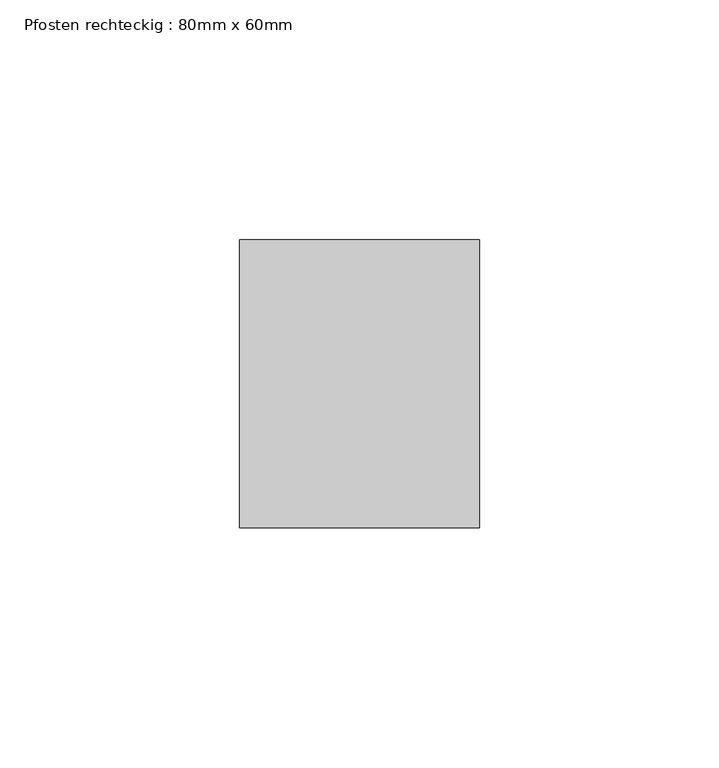
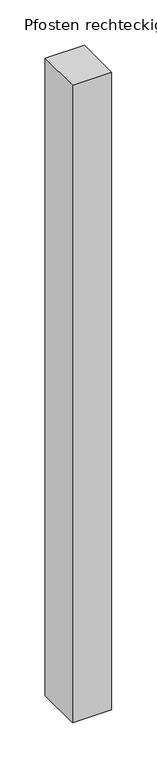
"""IFC4 building model written with IfcOpenShell, lengths in millimetres: member geometry, Pfosten rechteckig : 80mm x 60mm."""

from ifc_helpers import new_model, si_unit, frame, origin, place, context, project, spatial, polyline, outline, extrude, source, transform, mapped, element, save


def pfosten_rechteckig_80mm_x_60mm_a6d5b31b(model_context):
    return source(origin(), model_context, "Body", "SweptSolid", [
        extrude(outline(polyline([(0.0, 30.0), (0.0, -30.0), (-50.0, -30.0), (-50.0, 30.0), (0.0, 30.0)])), frame((0.0, 0.0, -858.3333333), z_axis=(0.0, 0.0, 1.0), x_axis=(1.0, 0.0, 0.0)), (0.0, 0.0, 1.0), 858.3333333),
    ])


if __name__ == "__main__":
    model = new_model("IFC4")
    model_context = context("Model", 3, world=origin())
    ifc_project = project(units=[si_unit("LENGTHUNIT", "METRE", prefix="MILLI")], contexts=[model_context])
    site = spatial("IfcSite", under=ifc_project)
    building = spatial("IfcBuilding", under=site)
    placement = place(None, origin())
    pfosten_rechteckig_80mm_x_60mm_shape = pfosten_rechteckig_80mm_x_60mm_a6d5b31b(model_context)
    element("IfcMember", 1, ObjectType="Pfosten rechteckig : 80mm x 60mm", at=placement, inside=building, context=model_context, shape_type="MappedRepresentation", body=[
        mapped(pfosten_rechteckig_80mm_x_60mm_shape, transform((0.0, 0.0, 0.0), x_axis=(1.0, 0.0, 0.0), y_axis=(0.0, 1.0, 0.0), z_axis=(0.0, 0.0, 1.0))),
    ])
    save(model, "model.ifc")
